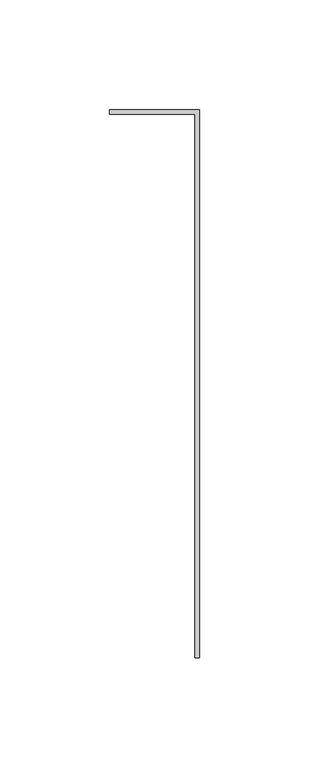
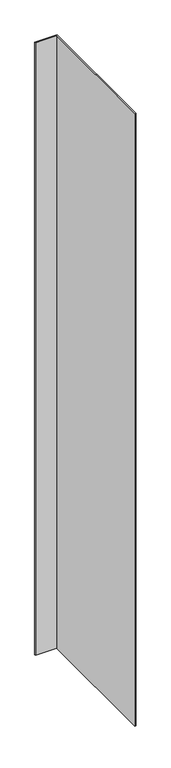
"""IFC4 building model written with IfcOpenShell, lengths in millimetres: member geometry."""

from ifc_helpers import new_model, si_unit, frame, origin, place, context, project, spatial, polyline, outline, extrude, source, transform, mapped, element, save


def member_4946de75(model_context):
    return source(origin(), model_context, "Body", "SweptSolid", [
        extrude(outline(polyline([(0.0, 0.0), (-2.0108815, 0.0), (-2.0108815, 248.0), (-41.0108815, 248.0), (-41.0108815, 250.0), (0.0, 250.0), (0.0, 0.0)])), frame((0.0, 0.0, -1184.5835322), z_axis=(0.0, 0.0, 1.0), x_axis=(1.0, 0.0, 0.0)), (0.0, 0.0, 1.0), 1184.5835322),
    ])


if __name__ == "__main__":
    model = new_model("IFC4")
    model_context = context("Model", 3, world=origin())
    ifc_project = project(units=[si_unit("LENGTHUNIT", "METRE", prefix="MILLI")], contexts=[model_context])
    site = spatial("IfcSite", under=ifc_project)
    building = spatial("IfcBuilding", under=site)
    placement = place(None, origin())
    member_shape = member_4946de75(model_context)
    element("IfcMember", 1, at=placement, inside=building, context=model_context, shape_type="MappedRepresentation", body=[
        mapped(member_shape, transform((0.0, 0.0, 0.0), x_axis=(1.0, 0.0, 0.0), y_axis=(0.0, 1.0, 0.0), z_axis=(0.0, 0.0, 1.0))),
    ])
    save(model, "model.ifc")
